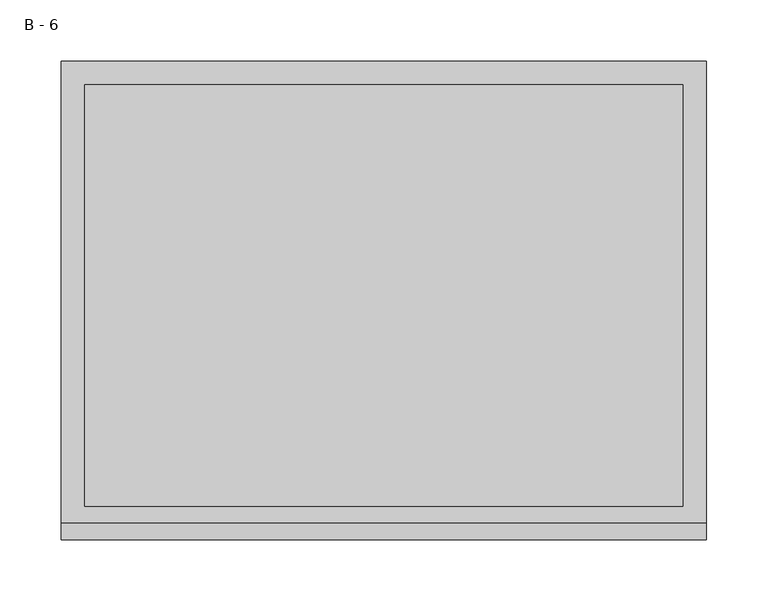
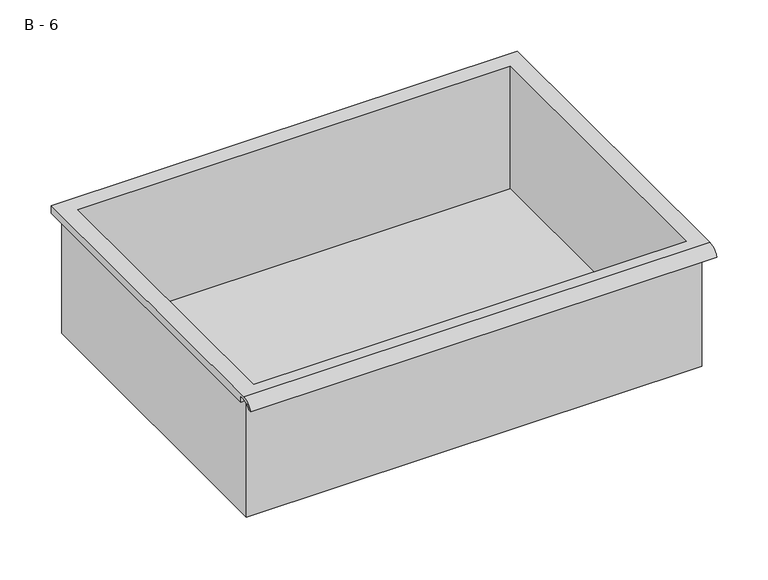
"""IFC4 building model written with IfcOpenShell, lengths in millimetres: furniture geometry, B - 6."""

from ifc_helpers import new_model, si_unit, frame, origin, place, context, project, spatial, polyline, circle_curve, source, transform, mapped, element, save
from ifc_brep_helpers import plane_surface, cylinder_surface, revolved_surface, advanced_brep


def b_6_898f6a7e(model_context):
    return source(origin(), model_context, "Body", "AdvancedBrep", [
        advanced_brep(
        [(-257.1076517, -176.2125, 490.728), (257.2423483, -176.2125, 490.728), (257.2423483, -176.2125, 630.428), (263.5923483, -176.2125, 630.428), (263.5923483, -176.2125, 636.7351341), (-263.4576517, -176.2125, 636.7351341), (-263.4576517, -176.2125, 630.428), (-257.1076517, -176.2125, 630.428), (257.2423483, 185.7375, 490.728), (-257.1076517, 185.7375, 490.728), (-257.1076517, 185.7375, 630.428), (257.2423483, 185.7375, 630.428), (263.5923483, -181.6070544, 639.953), (263.5923483, 195.2625, 639.953), (-263.4576517, 195.2625, 639.953), (-263.4576517, -181.6070544, 639.953), (244.5423483, -168.275, 639.953), (-244.4076517, -168.275, 639.953), (-244.4076517, 176.2125, 639.953), (244.5423483, 176.2125, 639.953), (263.5923483, -195.2625, 630.428), (263.5923483, -191.8280601, 630.428), (263.5923483, -180.4714815, 636.7351341), (263.5923483, 195.2625, 630.428), (-263.4576517, 195.2625, 630.428), (-263.4576517, -180.4714815, 636.7351341), (-263.4576517, -191.8280601, 630.428), (-263.4576517, -195.2625, 630.428), (-244.4076517, -168.275, 493.7541719), (244.5423483, -168.275, 493.7541719), (244.5423483, 176.2125, 493.7541719), (-244.4076517, 176.2125, 493.7541719)],
        [
            (0, 1),
            (1, 2),
            (2, 3),
            (3, 4),
            (4, 5),
            (5, 6),
            (6, 7),
            (7, 0),
            (8, 9),
            (9, 10),
            (10, 11),
            (11, 8),
            (0, 9),
            (8, 1),
            (11, 2),
            (12, 13),
            (13, 14),
            (14, 15),
            (15, 12),
            (16, 17),
            (17, 18),
            (18, 19),
            (19, 16),
            (7, 10),
            (12, 20, circle_curve(frame((263.5923483, -181.6070544, 625.4019859), z_axis=(1.0, 0.0, 0.0), x_axis=(0.0, 1.0, 0.0)), 14.5510141)),
            (20, 21),
            (21, 22, circle_curve(frame((263.5923483, -181.6070544, 625.4019859), z_axis=(-1.0, 0.0, 0.0), x_axis=(0.0, 1.0, 0.0)), 11.3898979)),
            (22, 4),
            (3, 23),
            (23, 13),
            (14, 24),
            (24, 6),
            (5, 25),
            (25, 26, circle_curve(frame((-263.4576517, -181.6070544, 625.4019859), z_axis=(1.0, 0.0, 0.0), x_axis=(0.0, 1.0, 0.0)), 11.3898979)),
            (26, 27),
            (27, 15, circle_curve(frame((-263.4576517, -181.6070544, 625.4019859), z_axis=(-1.0, 0.0, 0.0), x_axis=(0.0, 1.0, 0.0)), 14.5510141)),
            (27, 20),
            (26, 21),
            (25, 22),
            (24, 23),
            (28, 29),
            (29, 30),
            (30, 31),
            (31, 28),
            (28, 17),
            (16, 29),
            (19, 30),
            (18, 31),
        ],
        [
            plane_surface(frame((257.2423483, -176.2125, 490.728), z_axis=(0.0, -1.0, 0.0), x_axis=(1.0, 0.0, 0.0))),
            plane_surface(frame((257.2423483, 185.7375, 490.728), z_axis=(0.0, 1.0, 0.0), x_axis=(-1.0, 0.0, 0.0))),
            plane_surface(frame((-257.1076517, -176.2125, 490.728), z_axis=(0.0, 0.0, -1.0), x_axis=(0.0, 1.0, 0.0))),
            plane_surface(frame((257.2423483, -176.2125, 490.728), z_axis=(1.0, 0.0, 0.0), x_axis=(0.0, 1.0, 0.0))),
            plane_surface(frame((257.2423483, -176.2125, 639.953), z_axis=(0.0, 0.0, 1.0), x_axis=(0.0, 1.0, 0.0))),
            plane_surface(frame((-257.1076517, -176.2125, 639.953), z_axis=(-1.0, 0.0, 0.0), x_axis=(0.0, 1.0, 0.0))),
            plane_surface(frame((263.5923483, 195.2625, 639.953), z_axis=(1.0, 0.0, 0.0), x_axis=(0.0, -1.0, 0.0))),
            plane_surface(frame((-263.4576517, 195.2625, 639.953), z_axis=(-1.0, 0.0, 0.0), x_axis=(0.0, 1.0, 0.0))),
            cylinder_surface(frame((-263.4576517, -181.6070544, 625.4019859), z_axis=(1.0, 0.0, 0.0), x_axis=(0.0, 1.0, 0.0)), 14.5510141),
            plane_surface(frame((263.5923483, -195.2625, 630.428), z_axis=(0.0, -7.409469466668782e-12, -1.0), x_axis=(-1.0, 0.0, 0.0))),
            revolved_surface(polyline([(-263.4576517, -170.21715650000002, 625.4019859), (263.59234829999997, -170.21715650000002, 625.4019859)]), (-263.4576517, -181.6070544, 625.4019859), (-1.0, 0.0, 0.0)),
            plane_surface(frame((263.5923483, -180.4714815, 636.7351341), z_axis=(0.0, -1.8211010820950756e-11, -1.0), x_axis=(-1.0, 0.0, 0.0))),
            plane_surface(frame((263.5923483, -176.2125, 630.428), z_axis=(0.0, 0.0, -1.0), x_axis=(-1.0, 0.0, 0.0))),
            plane_surface(frame((263.5923483, 195.2625, 630.428), z_axis=(0.0, 1.0, 0.0), x_axis=(-1.0, 0.0, 0.0))),
            plane_surface(frame((244.5423483, -168.275, 493.7541719), z_axis=(0.0, 0.0, 1.0), x_axis=(-1.0, 0.0, 0.0))),
            plane_surface(frame((-244.4076517, -168.275, 639.953), z_axis=(0.0, 1.0, 0.0), x_axis=(0.0, 0.0, -1.0))),
            plane_surface(frame((244.5423483, -168.275, 639.953), z_axis=(-1.0, 0.0, 0.0), x_axis=(0.0, 0.0, -1.0))),
            plane_surface(frame((244.5423483, 176.2125, 639.953), z_axis=(0.0, -1.0, 0.0), x_axis=(0.0, 0.0, -1.0))),
            plane_surface(frame((-244.4076517, 176.2125, 639.953), z_axis=(1.0, 0.0, 0.0), x_axis=(0.0, 0.0, -1.0))),
        ],
        [
            (0, [[1, 2, 3, 4, 5, 6, 7, 8]]),
            (1, [[9, 10, 11, 12]]),
            (2, [[-1, 13, -9, 14]]),
            (3, [[-14, -12, 15, -2]]),
            (4, [[16, 17, 18, 19], [20, 21, 22, 23]]),
            (5, [[-13, -8, 24, -10]]),
            (6, [[-16, 25, 26, 27, 28, -4, 29, 30]]),
            (7, [[31, 32, -6, 33, 34, 35, 36, -18]]),
            (8, [[-25, -19, -36, 37]]),
            (9, [[-26, -37, -35, 38]]),
            (10, [[-27, -38, -34, 39]]),
            (11, [[-28, -39, -33, -5]]),
            (12, [[-29, -3, -15, -11, -24, -7, -32, 40]]),
            (13, [[-30, -40, -31, -17]]),
            (14, [[41, 42, 43, 44]]),
            (15, [[-41, 45, -20, 46]]),
            (16, [[-42, -46, -23, 47]]),
            (17, [[-43, -47, -22, 48]]),
            (18, [[-44, -48, -21, -45]]),
        ],
    ),
    ])


if __name__ == "__main__":
    model = new_model("IFC4")
    model_context = context("Model", 3, world=origin())
    ifc_project = project(units=[si_unit("LENGTHUNIT", "METRE", prefix="MILLI")], contexts=[model_context])
    site = spatial("IfcSite", under=ifc_project)
    building = spatial("IfcBuilding", under=site)
    placement = place(None, origin())
    b_6_shape = b_6_898f6a7e(model_context)
    element("IfcFurniture", 1, ObjectType="B - 6", at=placement, inside=building, context=model_context, shape_type="MappedRepresentation", body=[
        mapped(b_6_shape, transform((0.0, 0.0, 0.0), x_axis=(1.0, 0.0, 0.0), y_axis=(0.0, 1.0, 0.0), z_axis=(0.0, 0.0, 1.0))),
    ])
    save(model, "model.ifc")
